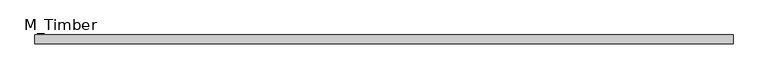
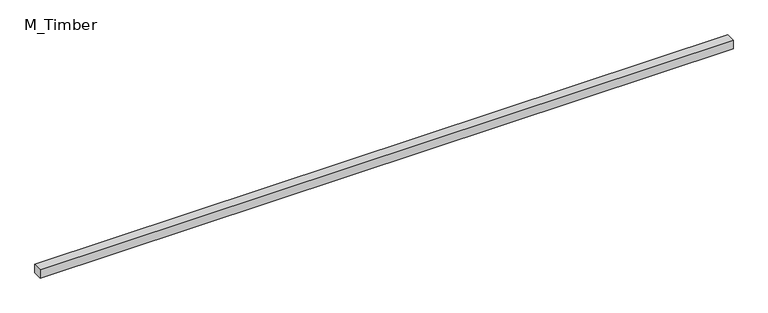
"""IFC4 building model written with IfcOpenShell, lengths in millimetres: beam geometry, M_Timber."""

from ifc_helpers import new_model, si_unit, frame, origin, place, context, project, spatial, polyline, outline, extrude, source, transform, mapped, element, save


def m_timber_8b6d2883(model_context):
    return source(origin(), model_context, "Body", "SweptSolid", [
        extrude(outline(polyline([(1540.7518738, 20.0), (1540.7518738, -20.0), (-1540.7518738, -20.0), (-1540.7518738, 20.0), (1540.7518738, 20.0)])), frame((0.0, 0.0, -20.0), z_axis=(0.0, 0.0, 1.0), x_axis=(1.0, 0.0, 0.0)), (0.0, 0.0, 1.0), 40.0),
    ])


if __name__ == "__main__":
    model = new_model("IFC4")
    model_context = context("Model", 3, world=origin())
    ifc_project = project(units=[si_unit("LENGTHUNIT", "METRE", prefix="MILLI")], contexts=[model_context])
    site = spatial("IfcSite", under=ifc_project)
    building = spatial("IfcBuilding", under=site)
    placement = place(None, origin())
    m_timber_shape = m_timber_8b6d2883(model_context)
    element("IfcBeam", 1, ObjectType="M_Timber", at=placement, inside=building, context=model_context, shape_type="MappedRepresentation", body=[
        mapped(m_timber_shape, transform((0.0, 0.0, 0.0), x_axis=(1.0, 0.0, 0.0), y_axis=(0.0, 1.0, 0.0), z_axis=(0.0, 0.0, 1.0))),
    ])
    save(model, "model.ifc")
